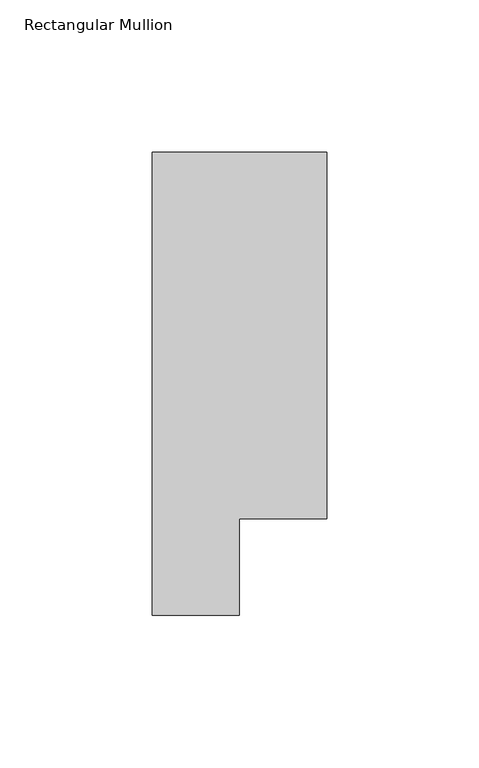
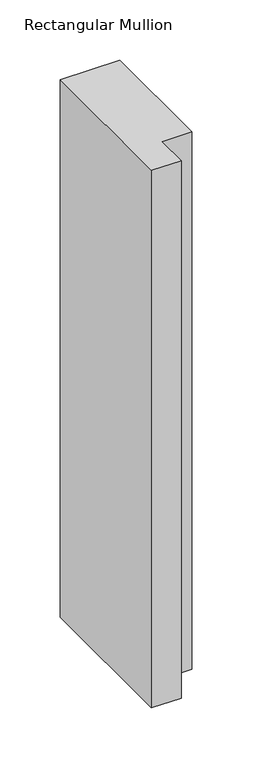
"""IFC4 building model written with IfcOpenShell, lengths in millimetres: member geometry, Rectangular Mullion."""

from ifc_helpers import new_model, si_unit, frame, origin, place, context, project, spatial, polyline, outline, extrude, source, transform, mapped, element, save


def rectangular_mullion_2d5dacd3(model_context):
    return source(origin(), model_context, "Body", "SweptSolid", [
        extrude(outline(polyline([(0.0, 151.892), (0.0, 31.75), (-28.575, 31.75), (-28.575, 0.0), (-57.15, 0.0), (-57.15, 151.892), (0.0, 151.892)])), frame((0.0, 0.0, -546.1), z_axis=(0.0, 0.0, 1.0), x_axis=(1.0, 0.0, 0.0)), (0.0, 0.0, 1.0), 546.1),
    ])


if __name__ == "__main__":
    model = new_model("IFC4")
    model_context = context("Model", 3, world=origin())
    ifc_project = project(units=[si_unit("LENGTHUNIT", "METRE", prefix="MILLI")], contexts=[model_context])
    site = spatial("IfcSite", under=ifc_project)
    building = spatial("IfcBuilding", under=site)
    placement = place(None, origin())
    rectangular_mullion_shape = rectangular_mullion_2d5dacd3(model_context)
    element("IfcMember", 1, ObjectType="Rectangular Mullion", at=placement, inside=building, context=model_context, shape_type="MappedRepresentation", body=[
        mapped(rectangular_mullion_shape, transform((0.0, 0.0, 0.0), x_axis=(1.0, 0.0, 0.0), y_axis=(0.0, 1.0, 0.0), z_axis=(0.0, 0.0, 1.0))),
    ])
    save(model, "model.ifc")
